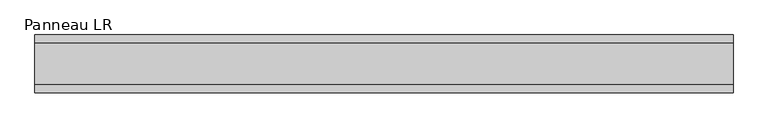
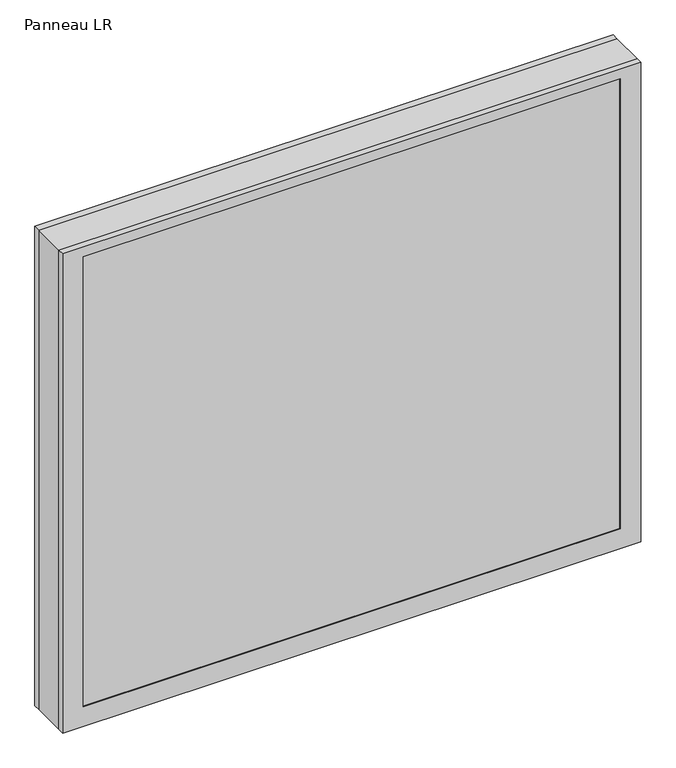
"""IFC4 building model written with IfcOpenShell, lengths in millimetres: plate geometry, Panneau LR."""

from ifc_helpers import new_model, si_unit, frame, origin, place, context, project, spatial, polyline, outline, extrude, faceted_brep, source, transform, mapped, element, save


def panneau_lr_f1bfa07d(model_context):
    return source(origin(), model_context, "Body", "SolidModel", [
        faceted_brep([(-544.1875001, 33.0, 953.5), (-544.1875001, 45.0, 953.5), (-544.1875001, 45.0, 0.0), (-544.1875001, 33.0, 0.0), (544.1875001, 33.0, 0.0), (544.1875001, 45.0, 0.0), (544.1875001, 45.0, 953.5), (544.1875001, 33.0, 953.5), (-505.1875001, 45.0, 934.5), (-505.1875001, 45.0, 39.0), (505.1875001, 45.0, 39.0), (505.1875001, 45.0, 934.5), (505.1875001, 43.8, 934.5), (-505.1875001, 43.8, 934.5), (-520.1875001, 43.8, 949.5), (-520.1875001, 43.8, 24.0), (520.1875001, 43.8, 24.0), (520.1875001, 43.8, 949.5), (505.1875001, 43.8, 39.0), (-505.1875001, 43.8, 39.0), (520.1875001, 33.0, 949.5), (-520.1875001, 33.0, 949.5), (520.1875001, 33.0, 24.0), (-520.1875001, 33.0, 24.0)], [[[0, 1, 2, 3]], [[4, 5, 6, 7]], [[6, 1, 0, 7]], [[2, 1, 6, 5], [8, 9, 10, 11]], [[8, 11, 12, 13]], [[14, 15, 16, 17], [13, 12, 18, 19]], [[14, 17, 20, 21]], [[0, 3, 4, 7], [20, 22, 23, 21]], [[23, 22, 16, 15]], [[19, 18, 10, 9]], [[4, 3, 2, 5]], [[21, 23, 15, 14]], [[13, 19, 9, 8]], [[18, 12, 11, 10]], [[22, 20, 17, 16]]]),
        faceted_brep([(-544.1875001, -33.0, 0.0), (-544.1875001, -45.0, 0.0), (-544.1875001, -45.0, 953.5), (-544.1875001, -33.0, 953.5), (544.1875001, -45.0, 0.0), (544.1875001, -33.0, 0.0), (544.1875001, -33.0, 953.5), (544.1875001, -45.0, 953.5), (505.1875001, -45.0, 934.5), (505.1875001, -45.0, 39.0), (-505.1875001, -45.0, 39.0), (-505.1875001, -45.0, 934.5), (-520.1875001, -33.0, 949.5), (-520.1875001, -33.0, 24.0), (520.1875001, -33.0, 24.0), (520.1875001, -33.0, 949.5), (520.1875001, -43.8, 949.5), (-520.1875001, -43.8, 949.5), (520.1875001, -43.8, 24.0), (-520.1875001, -43.8, 24.0), (-505.1875001, -43.8, 934.5), (-505.1875001, -43.8, 39.0), (505.1875001, -43.8, 39.0), (505.1875001, -43.8, 934.5)], [[[0, 1, 2, 3]], [[4, 5, 6, 7]], [[2, 1, 4, 7], [8, 9, 10, 11]], [[6, 3, 2, 7]], [[0, 3, 6, 5], [12, 13, 14, 15]], [[12, 15, 16, 17]], [[17, 16, 18, 19], [20, 21, 22, 23]], [[8, 11, 20, 23]], [[10, 9, 22, 21]], [[19, 18, 14, 13]], [[4, 1, 0, 5]], [[11, 10, 21, 20]], [[17, 19, 13, 12]], [[18, 16, 15, 14]], [[9, 8, 23, 22]]]),
        extrude(outline(polyline([(953.5, 544.1875001), (953.5, -544.1875001), (0.0, -544.1875001), (0.0, 544.1875001), (953.5, 544.1875001)]), holes=[polyline([(46.0, -504.1875001), (927.5, -504.1875001), (927.5, 504.1875001), (46.0, 504.1875001), (46.0, -504.1875001)])]), frame((0.0, -33.0, 0.0), z_axis=(0.0, 1.0, 0.0), x_axis=(0.0, 0.0, 1.0)), (0.0, 0.0, 1.0), 66.0),
        extrude(outline(polyline([(520.1875001, 37.8), (-520.1875001, 37.8), (-520.1875001, 43.8), (520.1875001, 43.8), (520.1875001, 37.8)])), frame((0.0, 0.0, 24.0), z_axis=(0.0, 0.0, 1.0), x_axis=(1.0, 0.0, 0.0)), (0.0, 0.0, 1.0), 925.5),
        extrude(outline(polyline([(-520.1875001, -43.8), (-520.1875001, -37.8), (520.1875001, -37.8), (520.1875001, -43.8), (-520.1875001, -43.8)])), frame((0.0, 0.0, 24.0), z_axis=(0.0, 0.0, 1.0), x_axis=(1.0, 0.0, 0.0)), (0.0, 0.0, 1.0), 925.5),
    ])


if __name__ == "__main__":
    model = new_model("IFC4")
    model_context = context("Model", 3, world=origin())
    ifc_project = project(units=[si_unit("LENGTHUNIT", "METRE", prefix="MILLI")], contexts=[model_context])
    site = spatial("IfcSite", under=ifc_project)
    building = spatial("IfcBuilding", under=site)
    placement = place(None, origin())
    panneau_lr_shape = panneau_lr_f1bfa07d(model_context)
    element("IfcPlate", 1, ObjectType="Panneau LR", at=placement, inside=building, context=model_context, shape_type="MappedRepresentation", body=[
        mapped(panneau_lr_shape, transform((0.0, 0.0, 0.0), x_axis=(1.0, 0.0, 0.0), y_axis=(0.0, 1.0, 0.0), z_axis=(0.0, 0.0, 1.0))),
    ])
    save(model, "model.ifc")
